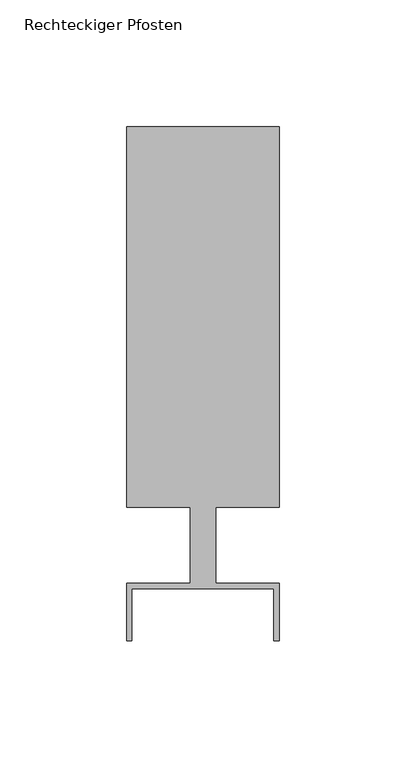
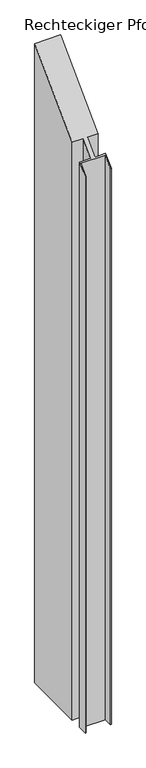
"""IFC4 building model written with IfcOpenShell, lengths in millimetres: member geometry, Rechteckiger Pfosten."""

from ifc_helpers import new_model, si_unit, origin, place, context, project, spatial, faceted_brep, source, transform, mapped, element, save


def rechteckiger_pfosten_bcb9829b(model_context):
    return source(origin(), model_context, "Body", "Brep", [
        faceted_brep([(28.0, -37.5, -1394.6402382), (28.0, -17.0, -1394.6402382), (-28.0, -17.0, -1394.6402382), (-28.0, -37.5, -1394.6402382), (-30.0, -37.5, -1394.6402382), (-30.0, -15.0, -1394.6402382), (-5.0, -15.0, -1394.6402382), (-5.0, 15.0, -1394.6402382), (-30.0, 15.0, -1394.6402382), (-30.0, 165.0, -1394.6402382), (30.0, 165.0, -1394.6402382), (30.0, 15.0, -1394.6402382), (5.0, 15.0, -1394.6402382), (5.0, -15.0, -1394.6402382), (30.0, -15.0, -1394.6402382), (30.0, -37.5, -1394.6402382), (30.0, -37.5, -37.5), (28.0, -37.5, -37.5), (30.0, -15.0, -15.0), (5.0, -15.0, -15.0), (5.0, 15.0, 15.0), (30.0, 15.0, 15.0), (30.0, 165.0, 165.0), (-30.0, 165.0, 165.0), (-30.0, 15.0, 15.0), (-5.0, 15.0, 15.0), (-5.0, -15.0, -15.0), (-30.0, -15.0, -15.0), (-30.0, -37.5, -37.5), (-28.0, -37.5, -37.5), (-28.0, -17.0, -17.0), (28.0, -17.0, -17.0)], [[[0, 1, 2, 3, 4, 5, 6, 7, 8, 9, 10, 11, 12, 13, 14, 15]], [[16, 17, 0, 15]], [[18, 16, 15, 14]], [[19, 18, 14, 13]], [[20, 19, 13, 12]], [[21, 20, 12, 11]], [[22, 21, 11, 10]], [[23, 22, 10, 9]], [[24, 23, 9, 8]], [[25, 24, 8, 7]], [[26, 25, 7, 6]], [[27, 26, 6, 5]], [[28, 27, 5, 4]], [[29, 28, 4, 3]], [[30, 29, 3, 2]], [[31, 30, 2, 1]], [[17, 31, 1, 0]], [[17, 16, 18, 19, 20, 21, 22, 23, 24, 25, 26, 27, 28, 29, 30, 31]]]),
    ])


if __name__ == "__main__":
    model = new_model("IFC4")
    model_context = context("Model", 3, world=origin())
    ifc_project = project(units=[si_unit("LENGTHUNIT", "METRE", prefix="MILLI")], contexts=[model_context])
    site = spatial("IfcSite", under=ifc_project)
    building = spatial("IfcBuilding", under=site)
    placement = place(None, origin())
    rechteckiger_pfosten_shape = rechteckiger_pfosten_bcb9829b(model_context)
    element("IfcMember", 1, ObjectType="Rechteckiger Pfosten", at=placement, inside=building, context=model_context, shape_type="MappedRepresentation", body=[
        mapped(rechteckiger_pfosten_shape, transform((0.0, 0.0, 0.0), x_axis=(1.0, 0.0, 0.0), y_axis=(0.0, 1.0, 0.0), z_axis=(0.0, 0.0, 1.0))),
    ])
    save(model, "model.ifc")
